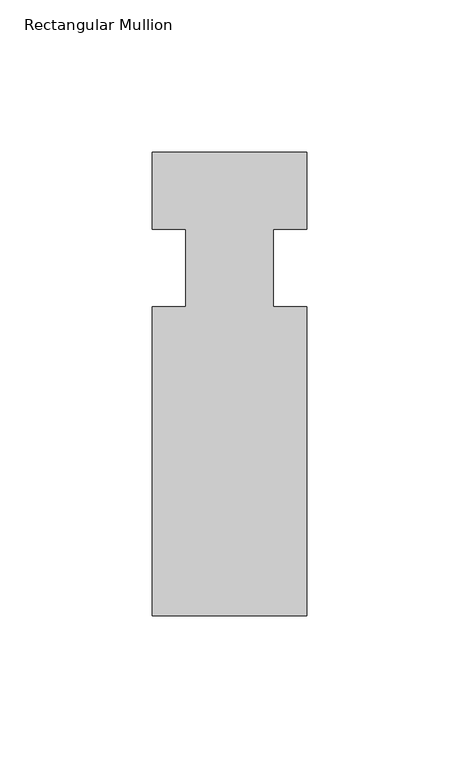
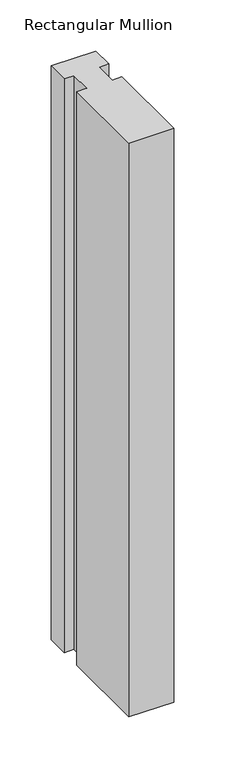
"""IFC4 building model written with IfcOpenShell, lengths in millimetres: member geometry, Rectangular Mullion."""

from ifc_helpers import new_model, si_unit, frame, origin, place, context, project, spatial, polyline, outline, extrude, source, transform, mapped, element, save


def rectangular_mullion_c6fcef78(model_context):
    return source(origin(), model_context, "Body", "SweptSolid", [
        extrude(outline(polyline([(-25.4, 0.0), (25.4, 0.0), (25.4, -25.4), (14.398625, -25.4), (14.398625, -50.8), (25.4, -50.8), (25.4, -152.4), (-25.4, -152.4), (-25.4, -50.8), (-14.398625, -50.8), (-14.398625, -25.4), (-25.4, -25.4), (-25.4, 0.0)])), frame((0.0, 0.0, -685.8), z_axis=(0.0, 0.0, 1.0), x_axis=(1.0, 0.0, 0.0)), (0.0, 0.0, 1.0), 685.8),
    ])


if __name__ == "__main__":
    model = new_model("IFC4")
    model_context = context("Model", 3, world=origin())
    ifc_project = project(units=[si_unit("LENGTHUNIT", "METRE", prefix="MILLI")], contexts=[model_context])
    site = spatial("IfcSite", under=ifc_project)
    building = spatial("IfcBuilding", under=site)
    placement = place(None, origin())
    rectangular_mullion_shape = rectangular_mullion_c6fcef78(model_context)
    element("IfcMember", 1, ObjectType="Rectangular Mullion", at=placement, inside=building, context=model_context, shape_type="MappedRepresentation", body=[
        mapped(rectangular_mullion_shape, transform((0.0, 0.0, 0.0), x_axis=(1.0, 0.0, 0.0), y_axis=(0.0, 1.0, 0.0), z_axis=(0.0, 0.0, 1.0))),
    ])
    save(model, "model.ifc")
